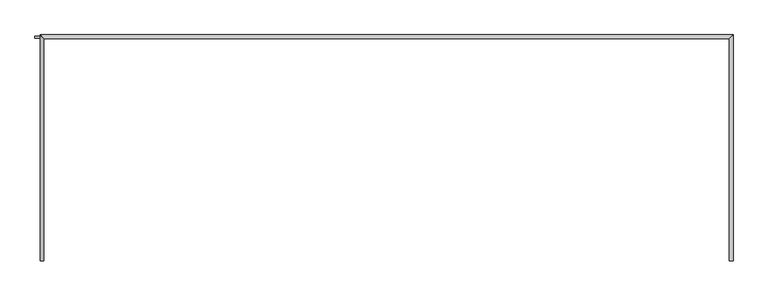
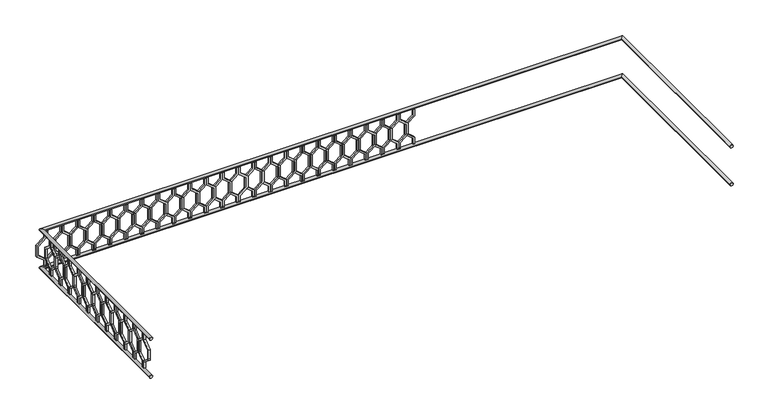
"""IFC4 building model written with IfcOpenShell, lengths in millimetres: railing geometry."""

from ifc_helpers import new_model, si_unit, frame, origin, place, context, project, spatial, polyline, circle_curve, ellipse_curve, outline, extrude, source, transform, mapped, element, save
from ifc_brep_helpers import plane_surface, cylinder_surface, advanced_brep


def railing_cd59a243(model_context):
    return source(origin(), model_context, "Body", "SolidModel", [
        advanced_brep(
        [(-40739.9887159, 903.1079487, 15480.0), (-40699.9887159, 903.1079487, 15480.0), (-40739.9887159, 3243.1079487, 15480.0), (-40699.9887159, 3283.1079487, 15480.0), (-47939.9887159, 3243.1079487, 15480.0), (-47979.9887159, 3283.1079487, 15480.0), (-47939.9887159, 903.1079487, 15480.0), (-47979.9887159, 903.1079487, 15480.0)],
        [
            (0, 1, circle_curve(frame((-40719.9887159, 903.1079487, 15480.0), z_axis=(0.0, -1.0, 0.0), x_axis=(1.0, 0.0, 0.0)), 20.0)),
            (1, 0, circle_curve(frame((-40719.9887159, 903.1079487, 15480.0), z_axis=(0.0, -1.0, 0.0), x_axis=(1.0, 0.0, 0.0)), 20.0)),
            (0, 2),
            (2, 3, ellipse_curve(frame((-40719.9887159, 3263.1079487, 15480.0), z_axis=(0.7071067811865475, -0.7071067811865476, 0.0), x_axis=(-0.7071067811865476, -0.7071067811865475, 0.0)), 28.2842712, 20.0)),
            (3, 1),
            (3, 2, ellipse_curve(frame((-40719.9887159, 3263.1079487, 15480.0), z_axis=(0.7071067811865475, -0.7071067811865476, 0.0), x_axis=(-0.7071067811865476, -0.7071067811865475, 0.0)), 28.2842712, 20.0)),
            (2, 4),
            (4, 5, ellipse_curve(frame((-47959.9887159, 3263.1079487, 15480.0), z_axis=(0.7071067811865481, 0.7071067811865469, 0.0), x_axis=(0.7071067811865469, -0.7071067811865481, 0.0)), 28.2842712, 20.0)),
            (5, 3),
            (5, 4, ellipse_curve(frame((-47959.9887159, 3263.1079487, 15480.0), z_axis=(0.7071067811865481, 0.7071067811865469, 0.0), x_axis=(0.7071067811865469, -0.7071067811865481, 0.0)), 28.2842712, 20.0)),
            (6, 7, circle_curve(frame((-47959.9887159, 903.1079487, 15480.0), z_axis=(0.0, -1.0, 0.0), x_axis=(-1.0, 0.0, 0.0)), 20.0)),
            (7, 6, circle_curve(frame((-47959.9887159, 903.1079487, 15480.0), z_axis=(0.0, -1.0, 0.0), x_axis=(-1.0, 0.0, 0.0)), 20.0)),
            (4, 6),
            (7, 5),
        ],
        [
            plane_surface(frame((-40719.9887159, 903.1079487, 15500.0), z_axis=(0.0, -1.0, 0.0), x_axis=(0.0, 0.0, 1.0))),
            cylinder_surface(frame((-40719.9887159, 903.1079487, 15480.0), z_axis=(0.0, -1.0, 0.0), x_axis=(1.0, 0.0, 0.0)), 20.0),
            cylinder_surface(frame((-40719.9887159, 3263.1079487, 15480.0), z_axis=(1.0, 0.0, 0.0), x_axis=(0.0, 1.0, 0.0)), 20.0),
            plane_surface(frame((-47959.9887159, 903.1079487, 15500.0), z_axis=(0.0, -1.0, 0.0), x_axis=(0.0, 0.0, -1.0))),
            cylinder_surface(frame((-47959.9887159, 3263.1079487, 15480.0), z_axis=(0.0, 1.0, 0.0), x_axis=(-1.0, 0.0, 0.0)), 20.0),
        ],
        [
            (0, [[1, 2]]),
            (1, [[-1, 3, 4, 5]]),
            (1, [[-2, -5, 6, -3]]),
            (2, [[-4, 7, 8, 9]]),
            (2, [[-6, -9, 10, -7]]),
            (3, [[11, 12]]),
            (4, [[-8, 13, -12, 14]]),
            (4, [[-10, -14, -11, -13]]),
        ],
    ),
        advanced_brep(
        [(-40739.9887159, 903.1079487, 14980.0), (-40699.9887159, 903.1079487, 14980.0), (-40739.9887159, 3243.1079487, 14980.0), (-40699.9887159, 3283.1079487, 14980.0), (-47939.9887159, 3243.1079487, 14980.0), (-47979.9887159, 3283.1079487, 14980.0), (-47939.9887159, 903.1079487, 14980.0), (-47979.9887159, 903.1079487, 14980.0)],
        [
            (0, 1, circle_curve(frame((-40719.9887159, 903.1079487, 14980.0), z_axis=(0.0, -1.0, 0.0), x_axis=(1.0, 0.0, 0.0)), 20.0)),
            (1, 0, circle_curve(frame((-40719.9887159, 903.1079487, 14980.0), z_axis=(0.0, -1.0, 0.0), x_axis=(1.0, 0.0, 0.0)), 20.0)),
            (0, 2),
            (2, 3, ellipse_curve(frame((-40719.9887159, 3263.1079487, 14980.0), z_axis=(0.7071067811865475, -0.7071067811865476, 0.0), x_axis=(-0.7071067811865476, -0.7071067811865475, 0.0)), 28.2842712, 20.0)),
            (3, 1),
            (3, 2, ellipse_curve(frame((-40719.9887159, 3263.1079487, 14980.0), z_axis=(0.7071067811865475, -0.7071067811865476, 0.0), x_axis=(-0.7071067811865476, -0.7071067811865475, 0.0)), 28.2842712, 20.0)),
            (2, 4),
            (4, 5, ellipse_curve(frame((-47959.9887159, 3263.1079487, 14980.0), z_axis=(0.7071067811865481, 0.7071067811865469, 0.0), x_axis=(0.7071067811865469, -0.7071067811865481, 0.0)), 28.2842712, 20.0)),
            (5, 3),
            (5, 4, ellipse_curve(frame((-47959.9887159, 3263.1079487, 14980.0), z_axis=(0.7071067811865481, 0.7071067811865469, 0.0), x_axis=(0.7071067811865469, -0.7071067811865481, 0.0)), 28.2842712, 20.0)),
            (6, 7, circle_curve(frame((-47959.9887159, 903.1079487, 14980.0), z_axis=(0.0, -1.0, 0.0), x_axis=(-1.0, 0.0, 0.0)), 20.0)),
            (7, 6, circle_curve(frame((-47959.9887159, 903.1079487, 14980.0), z_axis=(0.0, -1.0, 0.0), x_axis=(-1.0, 0.0, 0.0)), 20.0)),
            (4, 6),
            (7, 5),
        ],
        [
            plane_surface(frame((-40719.9887159, 903.1079487, 15000.0), z_axis=(0.0, -1.0, 0.0), x_axis=(0.0, 0.0, 1.0))),
            cylinder_surface(frame((-40719.9887159, 903.1079487, 14980.0), z_axis=(0.0, -1.0, 0.0), x_axis=(1.0, 0.0, 0.0)), 20.0),
            cylinder_surface(frame((-40719.9887159, 3263.1079487, 14980.0), z_axis=(1.0, 0.0, 0.0), x_axis=(0.0, 1.0, 0.0)), 20.0),
            plane_surface(frame((-47959.9887159, 903.1079487, 15000.0), z_axis=(0.0, -1.0, 0.0), x_axis=(0.0, 0.0, -1.0))),
            cylinder_surface(frame((-47959.9887159, 3263.1079487, 14980.0), z_axis=(0.0, 1.0, 0.0), x_axis=(-1.0, 0.0, 0.0)), 20.0),
        ],
        [
            (0, [[1, 2]]),
            (1, [[-1, 3, 4, 5]]),
            (1, [[-2, -5, 6, -3]]),
            (2, [[-4, 7, 8, 9]]),
            (2, [[-6, -9, 10, -7]]),
            (3, [[11, 12]]),
            (4, [[-8, 13, -12, 14]]),
            (4, [[-10, -14, -11, -13]]),
        ],
    ),
        extrude(outline(polyline([(1068.1079487, 15460.0), (1068.1079487, 15370.448155), (969.1129993, 15290.448155), (969.1129993, 15169.551845), (1068.1079487, 15089.551845), (1068.1079487, 15000.0), (1048.1079487, 15000.0), (1048.1079487, 15080.0), (949.1129993, 15160.0), (949.1129993, 15300.0), (1048.1079487, 15380.0), (1048.1079487, 15460.0), (1068.1079487, 15460.0)])), frame((-47964.9887159, 0.0, 0.0), z_axis=(1.0, 0.0, 0.0), x_axis=(0.0, 1.0, 0.0)), (0.0, 0.0, 1.0), 20.0),
        extrude(outline(polyline([(1068.1079487, 15460.0), (1088.1079487, 15460.0), (1088.1079487, 15380.0), (1187.102898, 15300.0), (1187.102898, 15160.0), (1088.1079487, 15080.0), (1088.1079487, 15000.0), (1068.1079487, 15000.0), (1068.1079487, 15089.551845), (1167.102898, 15169.551845), (1167.102898, 15290.448155), (1068.1079487, 15370.448155), (1068.1079487, 15460.0)])), frame((-47964.9887159, 0.0, 0.0), z_axis=(1.0, 0.0, 0.0), x_axis=(0.0, 1.0, 0.0)), (0.0, 0.0, 1.0), 20.0),
        extrude(outline(polyline([(1268.1079487, 15460.0), (1268.1079487, 15370.448155), (1169.1129993, 15290.448155), (1169.1129993, 15169.551845), (1268.1079487, 15089.551845), (1268.1079487, 15000.0), (1248.1079487, 15000.0), (1248.1079487, 15080.0), (1149.1129993, 15160.0), (1149.1129993, 15300.0), (1248.1079487, 15380.0), (1248.1079487, 15460.0), (1268.1079487, 15460.0)])), frame((-47964.9887159, 0.0, 0.0), z_axis=(1.0, 0.0, 0.0), x_axis=(0.0, 1.0, 0.0)), (0.0, 0.0, 1.0), 20.0),
        extrude(outline(polyline([(1268.1079487, 15460.0), (1288.1079487, 15460.0), (1288.1079487, 15380.0), (1387.102898, 15300.0), (1387.102898, 15160.0), (1288.1079487, 15080.0), (1288.1079487, 15000.0), (1268.1079487, 15000.0), (1268.1079487, 15089.551845), (1367.102898, 15169.551845), (1367.102898, 15290.448155), (1268.1079487, 15370.448155), (1268.1079487, 15460.0)])), frame((-47964.9887159, 0.0, 0.0), z_axis=(1.0, 0.0, 0.0), x_axis=(0.0, 1.0, 0.0)), (0.0, 0.0, 1.0), 20.0),
        extrude(outline(polyline([(1468.1079487, 15460.0), (1468.1079487, 15370.448155), (1369.1129993, 15290.448155), (1369.1129993, 15169.551845), (1468.1079487, 15089.551845), (1468.1079487, 15000.0), (1448.1079487, 15000.0), (1448.1079487, 15080.0), (1349.1129993, 15160.0), (1349.1129993, 15300.0), (1448.1079487, 15380.0), (1448.1079487, 15460.0), (1468.1079487, 15460.0)])), frame((-47964.9887159, 0.0, 0.0), z_axis=(1.0, 0.0, 0.0), x_axis=(0.0, 1.0, 0.0)), (0.0, 0.0, 1.0), 20.0),
        extrude(outline(polyline([(1468.1079487, 15460.0), (1488.1079487, 15460.0), (1488.1079487, 15380.0), (1587.102898, 15300.0), (1587.102898, 15160.0), (1488.1079487, 15080.0), (1488.1079487, 15000.0), (1468.1079487, 15000.0), (1468.1079487, 15089.551845), (1567.102898, 15169.551845), (1567.102898, 15290.448155), (1468.1079487, 15370.448155), (1468.1079487, 15460.0)])), frame((-47964.9887159, 0.0, 0.0), z_axis=(1.0, 0.0, 0.0), x_axis=(0.0, 1.0, 0.0)), (0.0, 0.0, 1.0), 20.0),
        extrude(outline(polyline([(1668.1079487, 15460.0), (1668.1079487, 15370.448155), (1569.1129993, 15290.448155), (1569.1129993, 15169.551845), (1668.1079487, 15089.551845), (1668.1079487, 15000.0), (1648.1079487, 15000.0), (1648.1079487, 15080.0), (1549.1129993, 15160.0), (1549.1129993, 15300.0), (1648.1079487, 15380.0), (1648.1079487, 15460.0), (1668.1079487, 15460.0)])), frame((-47964.9887159, 0.0, 0.0), z_axis=(1.0, 0.0, 0.0), x_axis=(0.0, 1.0, 0.0)), (0.0, 0.0, 1.0), 20.0),
        extrude(outline(polyline([(1668.1079487, 15460.0), (1688.1079487, 15460.0), (1688.1079487, 15380.0), (1787.102898, 15300.0), (1787.102898, 15160.0), (1688.1079487, 15080.0), (1688.1079487, 15000.0), (1668.1079487, 15000.0), (1668.1079487, 15089.551845), (1767.102898, 15169.551845), (1767.102898, 15290.448155), (1668.1079487, 15370.448155), (1668.1079487, 15460.0)])), frame((-47964.9887159, 0.0, 0.0), z_axis=(1.0, 0.0, 0.0), x_axis=(0.0, 1.0, 0.0)), (0.0, 0.0, 1.0), 20.0),
        extrude(outline(polyline([(1868.1079487, 15460.0), (1868.1079487, 15370.448155), (1769.1129993, 15290.448155), (1769.1129993, 15169.551845), (1868.1079487, 15089.551845), (1868.1079487, 15000.0), (1848.1079487, 15000.0), (1848.1079487, 15080.0), (1749.1129993, 15160.0), (1749.1129993, 15300.0), (1848.1079487, 15380.0), (1848.1079487, 15460.0), (1868.1079487, 15460.0)])), frame((-47964.9887159, 0.0, 0.0), z_axis=(1.0, 0.0, 0.0), x_axis=(0.0, 1.0, 0.0)), (0.0, 0.0, 1.0), 20.0),
        extrude(outline(polyline([(1868.1079487, 15460.0), (1888.1079487, 15460.0), (1888.1079487, 15380.0), (1987.102898, 15300.0), (1987.102898, 15160.0), (1888.1079487, 15080.0), (1888.1079487, 15000.0), (1868.1079487, 15000.0), (1868.1079487, 15089.551845), (1967.102898, 15169.551845), (1967.102898, 15290.448155), (1868.1079487, 15370.448155), (1868.1079487, 15460.0)])), frame((-47964.9887159, 0.0, 0.0), z_axis=(1.0, 0.0, 0.0), x_axis=(0.0, 1.0, 0.0)), (0.0, 0.0, 1.0), 20.0),
        extrude(outline(polyline([(2068.1079487, 15460.0), (2068.1079487, 15370.448155), (1969.1129993, 15290.448155), (1969.1129993, 15169.551845), (2068.1079487, 15089.551845), (2068.1079487, 15000.0), (2048.1079487, 15000.0), (2048.1079487, 15080.0), (1949.1129993, 15160.0), (1949.1129993, 15300.0), (2048.1079487, 15380.0), (2048.1079487, 15460.0), (2068.1079487, 15460.0)])), frame((-47964.9887159, 0.0, 0.0), z_axis=(1.0, 0.0, 0.0), x_axis=(0.0, 1.0, 0.0)), (0.0, 0.0, 1.0), 20.0),
        extrude(outline(polyline([(2068.1079487, 15460.0), (2088.1079487, 15460.0), (2088.1079487, 15380.0), (2187.102898, 15300.0), (2187.102898, 15160.0), (2088.1079487, 15080.0), (2088.1079487, 15000.0), (2068.1079487, 15000.0), (2068.1079487, 15089.551845), (2167.102898, 15169.551845), (2167.102898, 15290.448155), (2068.1079487, 15370.448155), (2068.1079487, 15460.0)])), frame((-47964.9887159, 0.0, 0.0), z_axis=(1.0, 0.0, 0.0), x_axis=(0.0, 1.0, 0.0)), (0.0, 0.0, 1.0), 20.0),
        extrude(outline(polyline([(2268.1079487, 15460.0), (2268.1079487, 15370.448155), (2169.1129993, 15290.448155), (2169.1129993, 15169.551845), (2268.1079487, 15089.551845), (2268.1079487, 15000.0), (2248.1079487, 15000.0), (2248.1079487, 15080.0), (2149.1129993, 15160.0), (2149.1129993, 15300.0), (2248.1079487, 15380.0), (2248.1079487, 15460.0), (2268.1079487, 15460.0)])), frame((-47964.9887159, 0.0, 0.0), z_axis=(1.0, 0.0, 0.0), x_axis=(0.0, 1.0, 0.0)), (0.0, 0.0, 1.0), 20.0),
        extrude(outline(polyline([(2268.1079487, 15460.0), (2288.1079487, 15460.0), (2288.1079487, 15380.0), (2387.102898, 15300.0), (2387.102898, 15160.0), (2288.1079487, 15080.0), (2288.1079487, 15000.0), (2268.1079487, 15000.0), (2268.1079487, 15089.551845), (2367.102898, 15169.551845), (2367.102898, 15290.448155), (2268.1079487, 15370.448155), (2268.1079487, 15460.0)])), frame((-47964.9887159, 0.0, 0.0), z_axis=(1.0, 0.0, 0.0), x_axis=(0.0, 1.0, 0.0)), (0.0, 0.0, 1.0), 20.0),
        extrude(outline(polyline([(2468.1079487, 15460.0), (2468.1079487, 15370.448155), (2369.1129993, 15290.448155), (2369.1129993, 15169.551845), (2468.1079487, 15089.551845), (2468.1079487, 15000.0), (2448.1079487, 15000.0), (2448.1079487, 15080.0), (2349.1129993, 15160.0), (2349.1129993, 15300.0), (2448.1079487, 15380.0), (2448.1079487, 15460.0), (2468.1079487, 15460.0)])), frame((-47964.9887159, 0.0, 0.0), z_axis=(1.0, 0.0, 0.0), x_axis=(0.0, 1.0, 0.0)), (0.0, 0.0, 1.0), 20.0),
        extrude(outline(polyline([(2468.1079487, 15460.0), (2488.1079487, 15460.0), (2488.1079487, 15380.0), (2587.102898, 15300.0), (2587.102898, 15160.0), (2488.1079487, 15080.0), (2488.1079487, 15000.0), (2468.1079487, 15000.0), (2468.1079487, 15089.551845), (2567.102898, 15169.551845), (2567.102898, 15290.448155), (2468.1079487, 15370.448155), (2468.1079487, 15460.0)])), frame((-47964.9887159, 0.0, 0.0), z_axis=(1.0, 0.0, 0.0), x_axis=(0.0, 1.0, 0.0)), (0.0, 0.0, 1.0), 20.0),
        extrude(outline(polyline([(2668.1079487, 15460.0), (2668.1079487, 15370.448155), (2569.1129993, 15290.448155), (2569.1129993, 15169.551845), (2668.1079487, 15089.551845), (2668.1079487, 15000.0), (2648.1079487, 15000.0), (2648.1079487, 15080.0), (2549.1129993, 15160.0), (2549.1129993, 15300.0), (2648.1079487, 15380.0), (2648.1079487, 15460.0), (2668.1079487, 15460.0)])), frame((-47964.9887159, 0.0, 0.0), z_axis=(1.0, 0.0, 0.0), x_axis=(0.0, 1.0, 0.0)), (0.0, 0.0, 1.0), 20.0),
        extrude(outline(polyline([(2668.1079487, 15460.0), (2688.1079487, 15460.0), (2688.1079487, 15380.0), (2787.102898, 15300.0), (2787.102898, 15160.0), (2688.1079487, 15080.0), (2688.1079487, 15000.0), (2668.1079487, 15000.0), (2668.1079487, 15089.551845), (2767.102898, 15169.551845), (2767.102898, 15290.448155), (2668.1079487, 15370.448155), (2668.1079487, 15460.0)])), frame((-47964.9887159, 0.0, 0.0), z_axis=(1.0, 0.0, 0.0), x_axis=(0.0, 1.0, 0.0)), (0.0, 0.0, 1.0), 20.0),
        extrude(outline(polyline([(2868.1079487, 15460.0), (2868.1079487, 15370.448155), (2769.1129993, 15290.448155), (2769.1129993, 15169.551845), (2868.1079487, 15089.551845), (2868.1079487, 15000.0), (2848.1079487, 15000.0), (2848.1079487, 15080.0), (2749.1129993, 15160.0), (2749.1129993, 15300.0), (2848.1079487, 15380.0), (2848.1079487, 15460.0), (2868.1079487, 15460.0)])), frame((-47964.9887159, 0.0, 0.0), z_axis=(1.0, 0.0, 0.0), x_axis=(0.0, 1.0, 0.0)), (0.0, 0.0, 1.0), 20.0),
        extrude(outline(polyline([(2868.1079487, 15460.0), (2888.1079487, 15460.0), (2888.1079487, 15380.0), (2987.102898, 15300.0), (2987.102898, 15160.0), (2888.1079487, 15080.0), (2888.1079487, 15000.0), (2868.1079487, 15000.0), (2868.1079487, 15089.551845), (2967.102898, 15169.551845), (2967.102898, 15290.448155), (2868.1079487, 15370.448155), (2868.1079487, 15460.0)])), frame((-47964.9887159, 0.0, 0.0), z_axis=(1.0, 0.0, 0.0), x_axis=(0.0, 1.0, 0.0)), (0.0, 0.0, 1.0), 20.0),
        extrude(outline(polyline([(3068.1079487, 15460.0), (3068.1079487, 15370.448155), (2969.1129993, 15290.448155), (2969.1129993, 15169.551845), (3068.1079487, 15089.551845), (3068.1079487, 15000.0), (3048.1079487, 15000.0), (3048.1079487, 15080.0), (2949.1129993, 15160.0), (2949.1129993, 15300.0), (3048.1079487, 15380.0), (3048.1079487, 15460.0), (3068.1079487, 15460.0)])), frame((-47964.9887159, 0.0, 0.0), z_axis=(1.0, 0.0, 0.0), x_axis=(0.0, 1.0, 0.0)), (0.0, 0.0, 1.0), 20.0),
        extrude(outline(polyline([(3068.1079487, 15460.0), (3088.1079487, 15460.0), (3088.1079487, 15380.0), (3187.102898, 15300.0), (3187.102898, 15160.0), (3088.1079487, 15080.0), (3088.1079487, 15000.0), (3068.1079487, 15000.0), (3068.1079487, 15089.551845), (3167.102898, 15169.551845), (3167.102898, 15290.448155), (3068.1079487, 15370.448155), (3068.1079487, 15460.0)])), frame((-47964.9887159, 0.0, 0.0), z_axis=(1.0, 0.0, 0.0), x_axis=(0.0, 1.0, 0.0)), (0.0, 0.0, 1.0), 20.0),
        extrude(outline(polyline([(15460.0, -47914.9887159), (15460.0, -47934.9887159), (15380.0, -47934.9887159), (15300.0, -48033.9836653), (15160.0, -48033.9836653), (15080.0, -47934.9887159), (15000.0, -47934.9887159), (15000.0, -47914.9887159), (15089.551845, -47914.9887159), (15169.551845, -48013.9836653), (15290.448155, -48013.9836653), (15370.448155, -47914.9887159), (15460.0, -47914.9887159)])), frame((0.0, 3248.1079487, 0.0), z_axis=(0.0, 1.0, 0.0), x_axis=(0.0, 0.0, 1.0)), (0.0, 0.0, 1.0), 20.0),
        extrude(outline(polyline([(15460.0, -47914.9887159), (15370.448155, -47914.9887159), (15290.448155, -47815.9937665), (15169.551845, -47815.9937665), (15089.551845, -47914.9887159), (15000.0, -47914.9887159), (15000.0, -47894.9887159), (15080.0, -47894.9887159), (15160.0, -47795.9937665), (15300.0, -47795.9937665), (15380.0, -47894.9887159), (15460.0, -47894.9887159), (15460.0, -47914.9887159)])), frame((0.0, 3248.1079487, 0.0), z_axis=(0.0, 1.0, 0.0), x_axis=(0.0, 0.0, 1.0)), (0.0, 0.0, 1.0), 20.0),
        extrude(outline(polyline([(15460.0, -47714.9887159), (15460.0, -47734.9887159), (15380.0, -47734.9887159), (15300.0, -47833.9836653), (15160.0, -47833.9836653), (15080.0, -47734.9887159), (15000.0, -47734.9887159), (15000.0, -47714.9887159), (15089.551845, -47714.9887159), (15169.551845, -47813.9836653), (15290.448155, -47813.9836653), (15370.448155, -47714.9887159), (15460.0, -47714.9887159)])), frame((0.0, 3248.1079487, 0.0), z_axis=(0.0, 1.0, 0.0), x_axis=(0.0, 0.0, 1.0)), (0.0, 0.0, 1.0), 20.0),
        extrude(outline(polyline([(15460.0, -47714.9887159), (15370.448155, -47714.9887159), (15290.448155, -47615.9937665), (15169.551845, -47615.9937665), (15089.551845, -47714.9887159), (15000.0, -47714.9887159), (15000.0, -47694.9887159), (15080.0, -47694.9887159), (15160.0, -47595.9937665), (15300.0, -47595.9937665), (15380.0, -47694.9887159), (15460.0, -47694.9887159), (15460.0, -47714.9887159)])), frame((0.0, 3248.1079487, 0.0), z_axis=(0.0, 1.0, 0.0), x_axis=(0.0, 0.0, 1.0)), (0.0, 0.0, 1.0), 20.0),
        extrude(outline(polyline([(15460.0, -47514.9887159), (15460.0, -47534.9887159), (15380.0, -47534.9887159), (15300.0, -47633.9836653), (15160.0, -47633.9836653), (15080.0, -47534.9887159), (15000.0, -47534.9887159), (15000.0, -47514.9887159), (15089.551845, -47514.9887159), (15169.551845, -47613.9836653), (15290.448155, -47613.9836653), (15370.448155, -47514.9887159), (15460.0, -47514.9887159)])), frame((0.0, 3248.1079487, 0.0), z_axis=(0.0, 1.0, 0.0), x_axis=(0.0, 0.0, 1.0)), (0.0, 0.0, 1.0), 20.0),
        extrude(outline(polyline([(15460.0, -47514.9887159), (15370.448155, -47514.9887159), (15290.448155, -47415.9937665), (15169.551845, -47415.9937665), (15089.551845, -47514.9887159), (15000.0, -47514.9887159), (15000.0, -47494.9887159), (15080.0, -47494.9887159), (15160.0, -47395.9937665), (15300.0, -47395.9937665), (15380.0, -47494.9887159), (15460.0, -47494.9887159), (15460.0, -47514.9887159)])), frame((0.0, 3248.1079487, 0.0), z_axis=(0.0, 1.0, 0.0), x_axis=(0.0, 0.0, 1.0)), (0.0, 0.0, 1.0), 20.0),
        extrude(outline(polyline([(15460.0, -47314.9887159), (15460.0, -47334.9887159), (15380.0, -47334.9887159), (15300.0, -47433.9836653), (15160.0, -47433.9836653), (15080.0, -47334.9887159), (15000.0, -47334.9887159), (15000.0, -47314.9887159), (15089.551845, -47314.9887159), (15169.551845, -47413.9836653), (15290.448155, -47413.9836653), (15370.448155, -47314.9887159), (15460.0, -47314.9887159)])), frame((0.0, 3248.1079487, 0.0), z_axis=(0.0, 1.0, 0.0), x_axis=(0.0, 0.0, 1.0)), (0.0, 0.0, 1.0), 20.0),
        extrude(outline(polyline([(15460.0, -47314.9887159), (15370.448155, -47314.9887159), (15290.448155, -47215.9937665), (15169.551845, -47215.9937665), (15089.551845, -47314.9887159), (15000.0, -47314.9887159), (15000.0, -47294.9887159), (15080.0, -47294.9887159), (15160.0, -47195.9937665), (15300.0, -47195.9937665), (15380.0, -47294.9887159), (15460.0, -47294.9887159), (15460.0, -47314.9887159)])), frame((0.0, 3248.1079487, 0.0), z_axis=(0.0, 1.0, 0.0), x_axis=(0.0, 0.0, 1.0)), (0.0, 0.0, 1.0), 20.0),
        extrude(outline(polyline([(15460.0, -47114.9887159), (15460.0, -47134.9887159), (15380.0, -47134.9887159), (15300.0, -47233.9836653), (15160.0, -47233.9836653), (15080.0, -47134.9887159), (15000.0, -47134.9887159), (15000.0, -47114.9887159), (15089.551845, -47114.9887159), (15169.551845, -47213.9836653), (15290.448155, -47213.9836653), (15370.448155, -47114.9887159), (15460.0, -47114.9887159)])), frame((0.0, 3248.1079487, 0.0), z_axis=(0.0, 1.0, 0.0), x_axis=(0.0, 0.0, 1.0)), (0.0, 0.0, 1.0), 20.0),
        extrude(outline(polyline([(15460.0, -47114.9887159), (15370.448155, -47114.9887159), (15290.448155, -47015.9937665), (15169.551845, -47015.9937665), (15089.551845, -47114.9887159), (15000.0, -47114.9887159), (15000.0, -47094.9887159), (15080.0, -47094.9887159), (15160.0, -46995.9937665), (15300.0, -46995.9937665), (15380.0, -47094.9887159), (15460.0, -47094.9887159), (15460.0, -47114.9887159)])), frame((0.0, 3248.1079487, 0.0), z_axis=(0.0, 1.0, 0.0), x_axis=(0.0, 0.0, 1.0)), (0.0, 0.0, 1.0), 20.0),
        extrude(outline(polyline([(15460.0, -46914.9887159), (15460.0, -46934.9887159), (15380.0, -46934.9887159), (15300.0, -47033.9836653), (15160.0, -47033.9836653), (15080.0, -46934.9887159), (15000.0, -46934.9887159), (15000.0, -46914.9887159), (15089.551845, -46914.9887159), (15169.551845, -47013.9836653), (15290.448155, -47013.9836653), (15370.448155, -46914.9887159), (15460.0, -46914.9887159)])), frame((0.0, 3248.1079487, 0.0), z_axis=(0.0, 1.0, 0.0), x_axis=(0.0, 0.0, 1.0)), (0.0, 0.0, 1.0), 20.0),
        extrude(outline(polyline([(15460.0, -46914.9887159), (15370.448155, -46914.9887159), (15290.448155, -46815.9937665), (15169.551845, -46815.9937665), (15089.551845, -46914.9887159), (15000.0, -46914.9887159), (15000.0, -46894.9887159), (15080.0, -46894.9887159), (15160.0, -46795.9937665), (15300.0, -46795.9937665), (15380.0, -46894.9887159), (15460.0, -46894.9887159), (15460.0, -46914.9887159)])), frame((0.0, 3248.1079487, 0.0), z_axis=(0.0, 1.0, 0.0), x_axis=(0.0, 0.0, 1.0)), (0.0, 0.0, 1.0), 20.0),
        extrude(outline(polyline([(15460.0, -46714.9887159), (15460.0, -46734.9887159), (15380.0, -46734.9887159), (15300.0, -46833.9836653), (15160.0, -46833.9836653), (15080.0, -46734.9887159), (15000.0, -46734.9887159), (15000.0, -46714.9887159), (15089.551845, -46714.9887159), (15169.551845, -46813.9836653), (15290.448155, -46813.9836653), (15370.448155, -46714.9887159), (15460.0, -46714.9887159)])), frame((0.0, 3248.1079487, 0.0), z_axis=(0.0, 1.0, 0.0), x_axis=(0.0, 0.0, 1.0)), (0.0, 0.0, 1.0), 20.0),
        extrude(outline(polyline([(15460.0, -46714.9887159), (15370.448155, -46714.9887159), (15290.448155, -46615.9937665), (15169.551845, -46615.9937665), (15089.551845, -46714.9887159), (15000.0, -46714.9887159), (15000.0, -46694.9887159), (15080.0, -46694.9887159), (15160.0, -46595.9937665), (15300.0, -46595.9937665), (15380.0, -46694.9887159), (15460.0, -46694.9887159), (15460.0, -46714.9887159)])), frame((0.0, 3248.1079487, 0.0), z_axis=(0.0, 1.0, 0.0), x_axis=(0.0, 0.0, 1.0)), (0.0, 0.0, 1.0), 20.0),
        extrude(outline(polyline([(15460.0, -46514.9887159), (15460.0, -46534.9887159), (15380.0, -46534.9887159), (15300.0, -46633.9836653), (15160.0, -46633.9836653), (15080.0, -46534.9887159), (15000.0, -46534.9887159), (15000.0, -46514.9887159), (15089.551845, -46514.9887159), (15169.551845, -46613.9836653), (15290.448155, -46613.9836653), (15370.448155, -46514.9887159), (15460.0, -46514.9887159)])), frame((0.0, 3248.1079487, 0.0), z_axis=(0.0, 1.0, 0.0), x_axis=(0.0, 0.0, 1.0)), (0.0, 0.0, 1.0), 20.0),
        extrude(outline(polyline([(15460.0, -46514.9887159), (15370.448155, -46514.9887159), (15290.448155, -46415.9937665), (15169.551845, -46415.9937665), (15089.551845, -46514.9887159), (15000.0, -46514.9887159), (15000.0, -46494.9887159), (15080.0, -46494.9887159), (15160.0, -46395.9937665), (15300.0, -46395.9937665), (15380.0, -46494.9887159), (15460.0, -46494.9887159), (15460.0, -46514.9887159)])), frame((0.0, 3248.1079487, 0.0), z_axis=(0.0, 1.0, 0.0), x_axis=(0.0, 0.0, 1.0)), (0.0, 0.0, 1.0), 20.0),
        extrude(outline(polyline([(15460.0, -46314.9887159), (15460.0, -46334.9887159), (15380.0, -46334.9887159), (15300.0, -46433.9836653), (15160.0, -46433.9836653), (15080.0, -46334.9887159), (15000.0, -46334.9887159), (15000.0, -46314.9887159), (15089.551845, -46314.9887159), (15169.551845, -46413.9836653), (15290.448155, -46413.9836653), (15370.448155, -46314.9887159), (15460.0, -46314.9887159)])), frame((0.0, 3248.1079487, 0.0), z_axis=(0.0, 1.0, 0.0), x_axis=(0.0, 0.0, 1.0)), (0.0, 0.0, 1.0), 20.0),
        extrude(outline(polyline([(15460.0, -46314.9887159), (15370.448155, -46314.9887159), (15290.448155, -46215.9937665), (15169.551845, -46215.9937665), (15089.551845, -46314.9887159), (15000.0, -46314.9887159), (15000.0, -46294.9887159), (15080.0, -46294.9887159), (15160.0, -46195.9937665), (15300.0, -46195.9937665), (15380.0, -46294.9887159), (15460.0, -46294.9887159), (15460.0, -46314.9887159)])), frame((0.0, 3248.1079487, 0.0), z_axis=(0.0, 1.0, 0.0), x_axis=(0.0, 0.0, 1.0)), (0.0, 0.0, 1.0), 20.0),
        extrude(outline(polyline([(15460.0, -46114.9887159), (15460.0, -46134.9887159), (15380.0, -46134.9887159), (15300.0, -46233.9836653), (15160.0, -46233.9836653), (15080.0, -46134.9887159), (15000.0, -46134.9887159), (15000.0, -46114.9887159), (15089.551845, -46114.9887159), (15169.551845, -46213.9836653), (15290.448155, -46213.9836653), (15370.448155, -46114.9887159), (15460.0, -46114.9887159)])), frame((0.0, 3248.1079487, 0.0), z_axis=(0.0, 1.0, 0.0), x_axis=(0.0, 0.0, 1.0)), (0.0, 0.0, 1.0), 20.0),
        extrude(outline(polyline([(15460.0, -46114.9887159), (15370.448155, -46114.9887159), (15290.448155, -46015.9937665), (15169.551845, -46015.9937665), (15089.551845, -46114.9887159), (15000.0, -46114.9887159), (15000.0, -46094.9887159), (15080.0, -46094.9887159), (15160.0, -45995.9937665), (15300.0, -45995.9937665), (15380.0, -46094.9887159), (15460.0, -46094.9887159), (15460.0, -46114.9887159)])), frame((0.0, 3248.1079487, 0.0), z_axis=(0.0, 1.0, 0.0), x_axis=(0.0, 0.0, 1.0)), (0.0, 0.0, 1.0), 20.0),
        extrude(outline(polyline([(15460.0, -45914.9887159), (15460.0, -45934.9887159), (15380.0, -45934.9887159), (15300.0, -46033.9836653), (15160.0, -46033.9836653), (15080.0, -45934.9887159), (15000.0, -45934.9887159), (15000.0, -45914.9887159), (15089.551845, -45914.9887159), (15169.551845, -46013.9836653), (15290.448155, -46013.9836653), (15370.448155, -45914.9887159), (15460.0, -45914.9887159)])), frame((0.0, 3248.1079487, 0.0), z_axis=(0.0, 1.0, 0.0), x_axis=(0.0, 0.0, 1.0)), (0.0, 0.0, 1.0), 20.0),
        extrude(outline(polyline([(15460.0, -45914.9887159), (15370.448155, -45914.9887159), (15290.448155, -45815.9937665), (15169.551845, -45815.9937665), (15089.551845, -45914.9887159), (15000.0, -45914.9887159), (15000.0, -45894.9887159), (15080.0, -45894.9887159), (15160.0, -45795.9937665), (15300.0, -45795.9937665), (15380.0, -45894.9887159), (15460.0, -45894.9887159), (15460.0, -45914.9887159)])), frame((0.0, 3248.1079487, 0.0), z_axis=(0.0, 1.0, 0.0), x_axis=(0.0, 0.0, 1.0)), (0.0, 0.0, 1.0), 20.0),
        extrude(outline(polyline([(15460.0, -45714.9887159), (15460.0, -45734.9887159), (15380.0, -45734.9887159), (15300.0, -45833.9836653), (15160.0, -45833.9836653), (15080.0, -45734.9887159), (15000.0, -45734.9887159), (15000.0, -45714.9887159), (15089.551845, -45714.9887159), (15169.551845, -45813.9836653), (15290.448155, -45813.9836653), (15370.448155, -45714.9887159), (15460.0, -45714.9887159)])), frame((0.0, 3248.1079487, 0.0), z_axis=(0.0, 1.0, 0.0), x_axis=(0.0, 0.0, 1.0)), (0.0, 0.0, 1.0), 20.0),
        extrude(outline(polyline([(15460.0, -45714.9887159), (15370.448155, -45714.9887159), (15290.448155, -45615.9937665), (15169.551845, -45615.9937665), (15089.551845, -45714.9887159), (15000.0, -45714.9887159), (15000.0, -45694.9887159), (15080.0, -45694.9887159), (15160.0, -45595.9937665), (15300.0, -45595.9937665), (15380.0, -45694.9887159), (15460.0, -45694.9887159), (15460.0, -45714.9887159)])), frame((0.0, 3248.1079487, 0.0), z_axis=(0.0, 1.0, 0.0), x_axis=(0.0, 0.0, 1.0)), (0.0, 0.0, 1.0), 20.0),
        extrude(outline(polyline([(15460.0, -45514.9887159), (15460.0, -45534.9887159), (15380.0, -45534.9887159), (15300.0, -45633.9836653), (15160.0, -45633.9836653), (15080.0, -45534.9887159), (15000.0, -45534.9887159), (15000.0, -45514.9887159), (15089.551845, -45514.9887159), (15169.551845, -45613.9836653), (15290.448155, -45613.9836653), (15370.448155, -45514.9887159), (15460.0, -45514.9887159)])), frame((0.0, 3248.1079487, 0.0), z_axis=(0.0, 1.0, 0.0), x_axis=(0.0, 0.0, 1.0)), (0.0, 0.0, 1.0), 20.0),
        extrude(outline(polyline([(15460.0, -45514.9887159), (15370.448155, -45514.9887159), (15290.448155, -45415.9937665), (15169.551845, -45415.9937665), (15089.551845, -45514.9887159), (15000.0, -45514.9887159), (15000.0, -45494.9887159), (15080.0, -45494.9887159), (15160.0, -45395.9937665), (15300.0, -45395.9937665), (15380.0, -45494.9887159), (15460.0, -45494.9887159), (15460.0, -45514.9887159)])), frame((0.0, 3248.1079487, 0.0), z_axis=(0.0, 1.0, 0.0), x_axis=(0.0, 0.0, 1.0)), (0.0, 0.0, 1.0), 20.0),
        extrude(outline(polyline([(15460.0, -45314.9887159), (15460.0, -45334.9887159), (15380.0, -45334.9887159), (15300.0, -45433.9836653), (15160.0, -45433.9836653), (15080.0, -45334.9887159), (15000.0, -45334.9887159), (15000.0, -45314.9887159), (15089.551845, -45314.9887159), (15169.551845, -45413.9836653), (15290.448155, -45413.9836653), (15370.448155, -45314.9887159), (15460.0, -45314.9887159)])), frame((0.0, 3248.1079487, 0.0), z_axis=(0.0, 1.0, 0.0), x_axis=(0.0, 0.0, 1.0)), (0.0, 0.0, 1.0), 20.0),
        extrude(outline(polyline([(15460.0, -45314.9887159), (15370.448155, -45314.9887159), (15290.448155, -45215.9937665), (15169.551845, -45215.9937665), (15089.551845, -45314.9887159), (15000.0, -45314.9887159), (15000.0, -45294.9887159), (15080.0, -45294.9887159), (15160.0, -45195.9937665), (15300.0, -45195.9937665), (15380.0, -45294.9887159), (15460.0, -45294.9887159), (15460.0, -45314.9887159)])), frame((0.0, 3248.1079487, 0.0), z_axis=(0.0, 1.0, 0.0), x_axis=(0.0, 0.0, 1.0)), (0.0, 0.0, 1.0), 20.0),
        extrude(outline(polyline([(15460.0, -45114.9887159), (15460.0, -45134.9887159), (15380.0, -45134.9887159), (15300.0, -45233.9836653), (15160.0, -45233.9836653), (15080.0, -45134.9887159), (15000.0, -45134.9887159), (15000.0, -45114.9887159), (15089.551845, -45114.9887159), (15169.551845, -45213.9836653), (15290.448155, -45213.9836653), (15370.448155, -45114.9887159), (15460.0, -45114.9887159)])), frame((0.0, 3248.1079487, 0.0), z_axis=(0.0, 1.0, 0.0), x_axis=(0.0, 0.0, 1.0)), (0.0, 0.0, 1.0), 20.0),
        extrude(outline(polyline([(15460.0, -45114.9887159), (15370.448155, -45114.9887159), (15290.448155, -45015.9937665), (15169.551845, -45015.9937665), (15089.551845, -45114.9887159), (15000.0, -45114.9887159), (15000.0, -45094.9887159), (15080.0, -45094.9887159), (15160.0, -44995.9937665), (15300.0, -44995.9937665), (15380.0, -45094.9887159), (15460.0, -45094.9887159), (15460.0, -45114.9887159)])), frame((0.0, 3248.1079487, 0.0), z_axis=(0.0, 1.0, 0.0), x_axis=(0.0, 0.0, 1.0)), (0.0, 0.0, 1.0), 20.0),
        extrude(outline(polyline([(15460.0, -44914.9887159), (15460.0, -44934.9887159), (15380.0, -44934.9887159), (15300.0, -45033.9836653), (15160.0, -45033.9836653), (15080.0, -44934.9887159), (15000.0, -44934.9887159), (15000.0, -44914.9887159), (15089.551845, -44914.9887159), (15169.551845, -45013.9836653), (15290.448155, -45013.9836653), (15370.448155, -44914.9887159), (15460.0, -44914.9887159)])), frame((0.0, 3248.1079487, 0.0), z_axis=(0.0, 1.0, 0.0), x_axis=(0.0, 0.0, 1.0)), (0.0, 0.0, 1.0), 20.0),
        extrude(outline(polyline([(15460.0, -44914.9887159), (15370.448155, -44914.9887159), (15290.448155, -44815.9937665), (15169.551845, -44815.9937665), (15089.551845, -44914.9887159), (15000.0, -44914.9887159), (15000.0, -44894.9887159), (15080.0, -44894.9887159), (15160.0, -44795.9937665), (15300.0, -44795.9937665), (15380.0, -44894.9887159), (15460.0, -44894.9887159), (15460.0, -44914.9887159)])), frame((0.0, 3248.1079487, 0.0), z_axis=(0.0, 1.0, 0.0), x_axis=(0.0, 0.0, 1.0)), (0.0, 0.0, 1.0), 20.0),
        extrude(outline(polyline([(15460.0, -44714.9887159), (15460.0, -44734.9887159), (15380.0, -44734.9887159), (15300.0, -44833.9836653), (15160.0, -44833.9836653), (15080.0, -44734.9887159), (15000.0, -44734.9887159), (15000.0, -44714.9887159), (15089.551845, -44714.9887159), (15169.551845, -44813.9836653), (15290.448155, -44813.9836653), (15370.448155, -44714.9887159), (15460.0, -44714.9887159)])), frame((0.0, 3248.1079487, 0.0), z_axis=(0.0, 1.0, 0.0), x_axis=(0.0, 0.0, 1.0)), (0.0, 0.0, 1.0), 20.0),
        extrude(outline(polyline([(15460.0, -44714.9887159), (15370.448155, -44714.9887159), (15290.448155, -44615.9937665), (15169.551845, -44615.9937665), (15089.551845, -44714.9887159), (15000.0, -44714.9887159), (15000.0, -44694.9887159), (15080.0, -44694.9887159), (15160.0, -44595.9937665), (15300.0, -44595.9937665), (15380.0, -44694.9887159), (15460.0, -44694.9887159), (15460.0, -44714.9887159)])), frame((0.0, 3248.1079487, 0.0), z_axis=(0.0, 1.0, 0.0), x_axis=(0.0, 0.0, 1.0)), (0.0, 0.0, 1.0), 20.0),
        extrude(outline(polyline([(15460.0, -44514.9887159), (15460.0, -44534.9887159), (15380.0, -44534.9887159), (15300.0, -44633.9836653), (15160.0, -44633.9836653), (15080.0, -44534.9887159), (15000.0, -44534.9887159), (15000.0, -44514.9887159), (15089.551845, -44514.9887159), (15169.551845, -44613.9836653), (15290.448155, -44613.9836653), (15370.448155, -44514.9887159), (15460.0, -44514.9887159)])), frame((0.0, 3248.1079487, 0.0), z_axis=(0.0, 1.0, 0.0), x_axis=(0.0, 0.0, 1.0)), (0.0, 0.0, 1.0), 20.0),
        extrude(outline(polyline([(15460.0, -44514.9887159), (15370.448155, -44514.9887159), (15290.448155, -44415.9937665), (15169.551845, -44415.9937665), (15089.551845, -44514.9887159), (15000.0, -44514.9887159), (15000.0, -44494.9887159), (15080.0, -44494.9887159), (15160.0, -44395.9937665), (15300.0, -44395.9937665), (15380.0, -44494.9887159), (15460.0, -44494.9887159), (15460.0, -44514.9887159)])), frame((0.0, 3248.1079487, 0.0), z_axis=(0.0, 1.0, 0.0), x_axis=(0.0, 0.0, 1.0)), (0.0, 0.0, 1.0), 20.0),
        extrude(outline(polyline([(15460.0, -44314.9887159), (15460.0, -44334.9887159), (15380.0, -44334.9887159), (15300.0, -44433.9836653), (15160.0, -44433.9836653), (15080.0, -44334.9887159), (15000.0, -44334.9887159), (15000.0, -44314.9887159), (15089.551845, -44314.9887159), (15169.551845, -44413.9836653), (15290.448155, -44413.9836653), (15370.448155, -44314.9887159), (15460.0, -44314.9887159)])), frame((0.0, 3248.1079487, 0.0), z_axis=(0.0, 1.0, 0.0), x_axis=(0.0, 0.0, 1.0)), (0.0, 0.0, 1.0), 20.0),
        extrude(outline(polyline([(15460.0, -44314.9887159), (15370.448155, -44314.9887159), (15290.448155, -44215.9937665), (15169.551845, -44215.9937665), (15089.551845, -44314.9887159), (15000.0, -44314.9887159), (15000.0, -44294.9887159), (15080.0, -44294.9887159), (15160.0, -44195.9937665), (15300.0, -44195.9937665), (15380.0, -44294.9887159), (15460.0, -44294.9887159), (15460.0, -44314.9887159)])), frame((0.0, 3248.1079487, 0.0), z_axis=(0.0, 1.0, 0.0), x_axis=(0.0, 0.0, 1.0)), (0.0, 0.0, 1.0), 20.0),
        extrude(outline(polyline([(15460.0, -44114.9887159), (15460.0, -44134.9887159), (15380.0, -44134.9887159), (15300.0, -44233.9836653), (15160.0, -44233.9836653), (15080.0, -44134.9887159), (15000.0, -44134.9887159), (15000.0, -44114.9887159), (15089.551845, -44114.9887159), (15169.551845, -44213.9836653), (15290.448155, -44213.9836653), (15370.448155, -44114.9887159), (15460.0, -44114.9887159)])), frame((0.0, 3248.1079487, 0.0), z_axis=(0.0, 1.0, 0.0), x_axis=(0.0, 0.0, 1.0)), (0.0, 0.0, 1.0), 20.0),
        extrude(outline(polyline([(15460.0, -44114.9887159), (15370.448155, -44114.9887159), (15290.448155, -44015.9937665), (15169.551845, -44015.9937665), (15089.551845, -44114.9887159), (15000.0, -44114.9887159), (15000.0, -44094.9887159), (15080.0, -44094.9887159), (15160.0, -43995.9937665), (15300.0, -43995.9937665), (15380.0, -44094.9887159), (15460.0, -44094.9887159), (15460.0, -44114.9887159)])), frame((0.0, 3248.1079487, 0.0), z_axis=(0.0, 1.0, 0.0), x_axis=(0.0, 0.0, 1.0)), (0.0, 0.0, 1.0), 20.0),
        extrude(outline(polyline([(15460.0, -43914.9887159), (15460.0, -43934.9887159), (15380.0, -43934.9887159), (15300.0, -44033.9836653), (15160.0, -44033.9836653), (15080.0, -43934.9887159), (15000.0, -43934.9887159), (15000.0, -43914.9887159), (15089.551845, -43914.9887159), (15169.551845, -44013.9836653), (15290.448155, -44013.9836653), (15370.448155, -43914.9887159), (15460.0, -43914.9887159)])), frame((0.0, 3248.1079487, 0.0), z_axis=(0.0, 1.0, 0.0), x_axis=(0.0, 0.0, 1.0)), (0.0, 0.0, 1.0), 20.0),
        extrude(outline(polyline([(15460.0, -43914.9887159), (15370.448155, -43914.9887159), (15290.448155, -43815.9937665), (15169.551845, -43815.9937665), (15089.551845, -43914.9887159), (15000.0, -43914.9887159), (15000.0, -43894.9887159), (15080.0, -43894.9887159), (15160.0, -43795.9937665), (15300.0, -43795.9937665), (15380.0, -43894.9887159), (15460.0, -43894.9887159), (15460.0, -43914.9887159)])), frame((0.0, 3248.1079487, 0.0), z_axis=(0.0, 1.0, 0.0), x_axis=(0.0, 0.0, 1.0)), (0.0, 0.0, 1.0), 20.0),
        extrude(outline(polyline([(15460.0, -43714.9887159), (15460.0, -43734.9887159), (15380.0, -43734.9887159), (15300.0, -43833.9836653), (15160.0, -43833.9836653), (15080.0, -43734.9887159), (15000.0, -43734.9887159), (15000.0, -43714.9887159), (15089.551845, -43714.9887159), (15169.551845, -43813.9836653), (15290.448155, -43813.9836653), (15370.448155, -43714.9887159), (15460.0, -43714.9887159)])), frame((0.0, 3248.1079487, 0.0), z_axis=(0.0, 1.0, 0.0), x_axis=(0.0, 0.0, 1.0)), (0.0, 0.0, 1.0), 20.0),
        extrude(outline(polyline([(15460.0, -43714.9887159), (15370.448155, -43714.9887159), (15290.448155, -43615.9937665), (15169.551845, -43615.9937665), (15089.551845, -43714.9887159), (15000.0, -43714.9887159), (15000.0, -43694.9887159), (15080.0, -43694.9887159), (15160.0, -43595.9937665), (15300.0, -43595.9937665), (15380.0, -43694.9887159), (15460.0, -43694.9887159), (15460.0, -43714.9887159)])), frame((0.0, 3248.1079487, 0.0), z_axis=(0.0, 1.0, 0.0), x_axis=(0.0, 0.0, 1.0)), (0.0, 0.0, 1.0), 20.0),
        extrude(outline(polyline([(15460.0, -43514.9887159), (15460.0, -43534.9887159), (15380.0, -43534.9887159), (15300.0, -43633.9836653), (15160.0, -43633.9836653), (15080.0, -43534.9887159), (15000.0, -43534.9887159), (15000.0, -43514.9887159), (15089.551845, -43514.9887159), (15169.551845, -43613.9836653), (15290.448155, -43613.9836653), (15370.448155, -43514.9887159), (15460.0, -43514.9887159)])), frame((0.0, 3248.1079487, 0.0), z_axis=(0.0, 1.0, 0.0), x_axis=(0.0, 0.0, 1.0)), (0.0, 0.0, 1.0), 20.0),
        extrude(outline(polyline([(15460.0, -43514.9887159), (15370.448155, -43514.9887159), (15290.448155, -43415.9937665), (15169.551845, -43415.9937665), (15089.551845, -43514.9887159), (15000.0, -43514.9887159), (15000.0, -43494.9887159), (15080.0, -43494.9887159), (15160.0, -43395.9937665), (15300.0, -43395.9937665), (15380.0, -43494.9887159), (15460.0, -43494.9887159), (15460.0, -43514.9887159)])), frame((0.0, 3248.1079487, 0.0), z_axis=(0.0, 1.0, 0.0), x_axis=(0.0, 0.0, 1.0)), (0.0, 0.0, 1.0), 20.0),
        extrude(outline(polyline([(15460.0, -43314.9887159), (15460.0, -43334.9887159), (15380.0, -43334.9887159), (15300.0, -43433.9836653), (15160.0, -43433.9836653), (15080.0, -43334.9887159), (15000.0, -43334.9887159), (15000.0, -43314.9887159), (15089.551845, -43314.9887159), (15169.551845, -43413.9836653), (15290.448155, -43413.9836653), (15370.448155, -43314.9887159), (15460.0, -43314.9887159)])), frame((0.0, 3248.1079487, 0.0), z_axis=(0.0, 1.0, 0.0), x_axis=(0.0, 0.0, 1.0)), (0.0, 0.0, 1.0), 20.0),
    ])


if __name__ == "__main__":
    model = new_model("IFC4")
    model_context = context("Model", 3, world=origin())
    ifc_project = project(units=[si_unit("LENGTHUNIT", "METRE", prefix="MILLI")], contexts=[model_context])
    site = spatial("IfcSite", under=ifc_project)
    building = spatial("IfcBuilding", under=site)
    placement = place(None, origin())
    railing_shape = railing_cd59a243(model_context)
    element("IfcRailing", 1, at=placement, inside=building, context=model_context, shape_type="MappedRepresentation", body=[
        mapped(railing_shape, transform((0.0, 0.0, 0.0), x_axis=(1.0, 0.0, 0.0), y_axis=(0.0, 1.0, 0.0), z_axis=(0.0, 0.0, 1.0))),
    ])
    save(model, "model.ifc")
